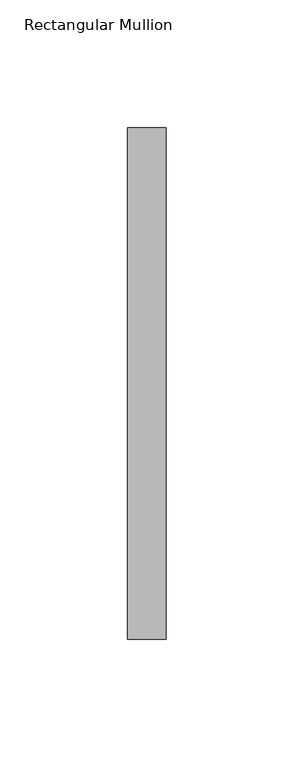
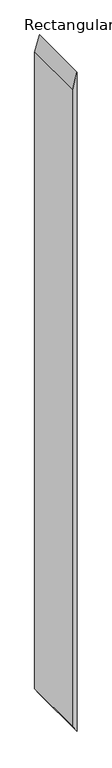
"""IFC4 building model written with IfcOpenShell, lengths in millimetres: member geometry, Rectangular Mullion."""

from ifc_helpers import new_model, si_unit, frame, origin, place, context, project, spatial, polyline, outline, extrude, source, transform, mapped, element, save


def rectangular_mullion_e800b542(model_context):
    return source(origin(), model_context, "Body", "SweptSolid", [
        extrude(outline(polyline([(0.0, 0.0), (-51.0464088, -15.0), (-2114.738329, -15.0), (-2136.9900734, 0.0), (0.0, 0.0)])), frame((0.0, -253.0, 0.0), z_axis=(0.0, 1.0, 0.0), x_axis=(0.0, 0.0, 1.0)), (0.0, 0.0, 1.0), 200.0),
    ])


if __name__ == "__main__":
    model = new_model("IFC4")
    model_context = context("Model", 3, world=origin())
    ifc_project = project(units=[si_unit("LENGTHUNIT", "METRE", prefix="MILLI")], contexts=[model_context])
    site = spatial("IfcSite", under=ifc_project)
    building = spatial("IfcBuilding", under=site)
    placement = place(None, origin())
    rectangular_mullion_shape = rectangular_mullion_e800b542(model_context)
    element("IfcMember", 1, ObjectType="Rectangular Mullion", at=placement, inside=building, context=model_context, shape_type="MappedRepresentation", body=[
        mapped(rectangular_mullion_shape, transform((0.0, 0.0, 0.0), x_axis=(1.0, 0.0, 0.0), y_axis=(0.0, 1.0, 0.0), z_axis=(0.0, 0.0, 1.0))),
    ])
    save(model, "model.ifc")
